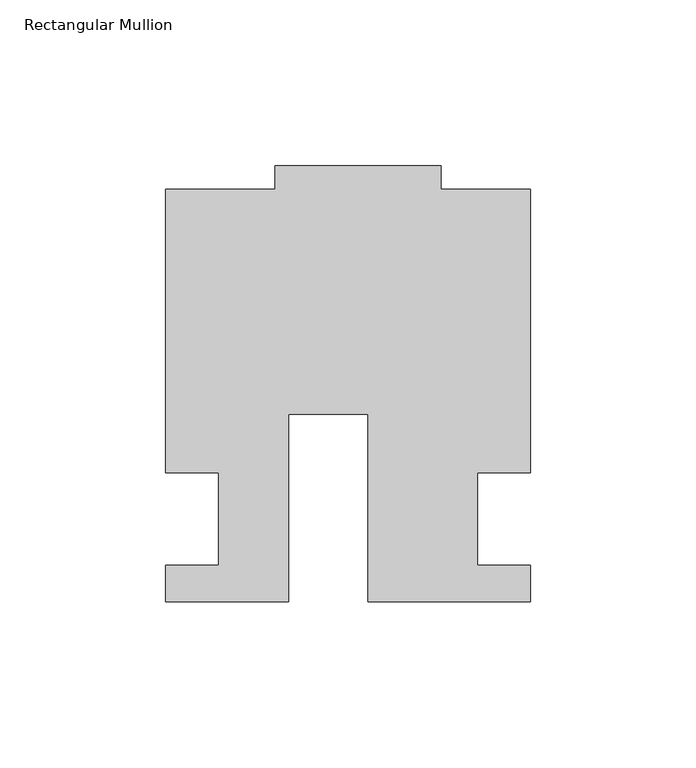
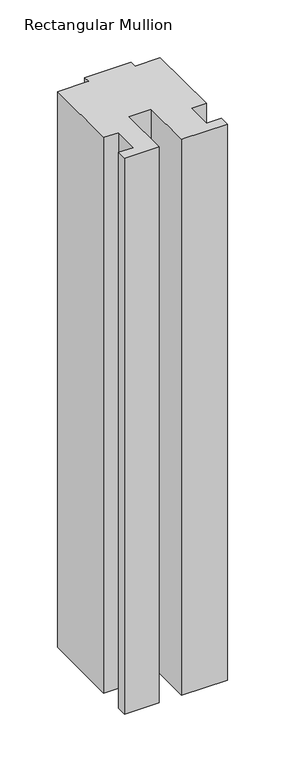
"""IFC4 building model written with IfcOpenShell, lengths in millimetres: member geometry, Rectangular Mullion."""

from ifc_helpers import new_model, si_unit, frame, origin, place, context, project, spatial, polyline, outline, extrude, source, transform, mapped, element, save


def rectangular_mullion_0034aaae(model_context):
    return source(origin(), model_context, "Body", "SweptSolid", [
        extrude(outline(polyline([(-24.0309529, -25.0), (-61.0409135, -25.0), (-61.0409135, -14.0), (-44.9971154, -14.0), (-44.9971154, 14.0), (-60.9971154, 14.0), (-60.9971154, 99.4999439), (-27.9971154, 99.4999439), (-27.9971154, 106.5), (22.0028846, 106.5), (22.0028846, 99.5), (49.0, 99.5), (49.0, 14.0), (32.9971154, 14.0), (32.9971154, -14.0), (49.0, -14.0), (49.0, -25.0), (0.0, -25.0), (0.0, 31.6008577), (-24.0309529, 31.6008577), (-24.0309529, -25.0)])), frame((0.0, 0.0, -629.2487586), z_axis=(0.0, 0.0, 1.0), x_axis=(1.0, 0.0, 0.0)), (0.0, 0.0, 1.0), 629.2487586),
    ])


if __name__ == "__main__":
    model = new_model("IFC4")
    model_context = context("Model", 3, world=origin())
    ifc_project = project(units=[si_unit("LENGTHUNIT", "METRE", prefix="MILLI")], contexts=[model_context])
    site = spatial("IfcSite", under=ifc_project)
    building = spatial("IfcBuilding", under=site)
    placement = place(None, origin())
    rectangular_mullion_shape = rectangular_mullion_0034aaae(model_context)
    element("IfcMember", 1, ObjectType="Rectangular Mullion", at=placement, inside=building, context=model_context, shape_type="MappedRepresentation", body=[
        mapped(rectangular_mullion_shape, transform((0.0, 0.0, 0.0), x_axis=(1.0, 0.0, 0.0), y_axis=(0.0, 1.0, 0.0), z_axis=(0.0, 0.0, 1.0))),
    ])
    save(model, "model.ifc")
